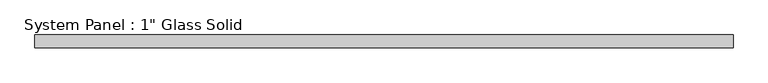
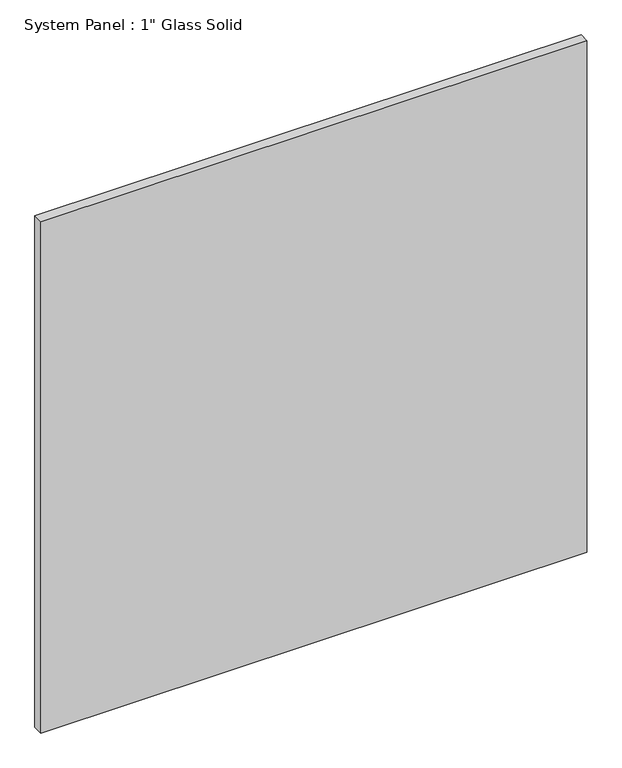
"""IFC4 building model written with IfcOpenShell, lengths in millimetres: plate geometry."""

from ifc_helpers import new_model, si_unit, origin, origin_with_axes, place, context, project, spatial, polyline, outline, extrude, source, transform, mapped, element, save


def plate_3825a0b5(model_context):
    return source(origin(), model_context, "Body", "SweptSolid", [
        extrude(outline(polyline([(687.4389199, -12.7), (-687.4389199, -12.7), (-687.4389199, 12.7), (687.4389199, 12.7), (687.4389199, -12.7)])), origin_with_axes(), (0.0, 0.0, 1.0), 1361.3311731),
    ])


if __name__ == "__main__":
    model = new_model("IFC4")
    model_context = context("Model", 3, world=origin())
    ifc_project = project(units=[si_unit("LENGTHUNIT", "METRE", prefix="MILLI")], contexts=[model_context])
    site = spatial("IfcSite", under=ifc_project)
    building = spatial("IfcBuilding", under=site)
    placement = place(None, origin())
    plate_shape = plate_3825a0b5(model_context)
    element("IfcPlate", 1, ObjectType="System Panel : 1\" Glass Solid", at=placement, inside=building, context=model_context, shape_type="MappedRepresentation", body=[
        mapped(plate_shape, transform((0.0, 0.0, 0.0), x_axis=(1.0, 0.0, 0.0), y_axis=(0.0, 1.0, 0.0), z_axis=(0.0, 0.0, 1.0))),
    ])
    save(model, "model.ifc")
